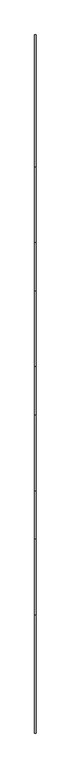
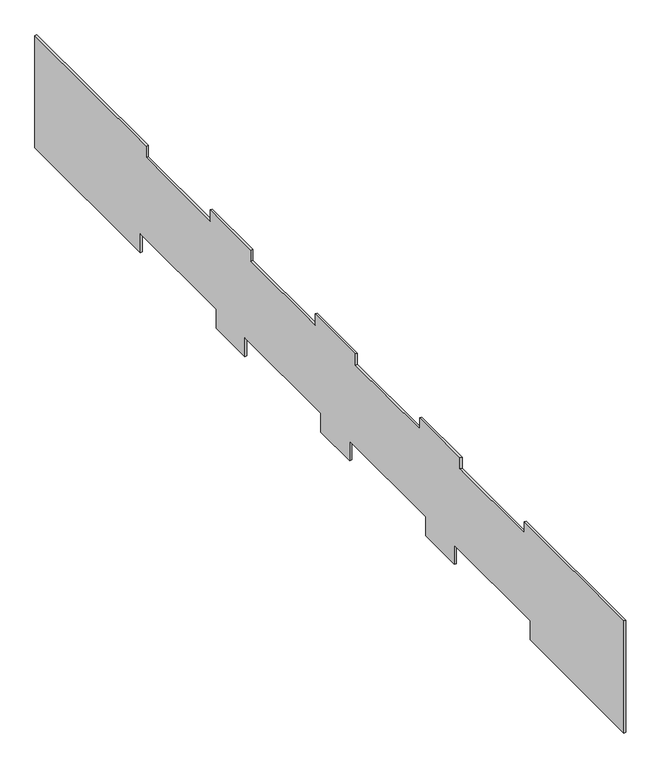
"""IFC4 building model written with IfcOpenShell, lengths in millimetres: furniture geometry."""

from ifc_helpers import new_model, si_unit, frame, origin, place, context, project, spatial, polyline, outline, extrude, source, transform, mapped, element, save


def furniture_6735404e(model_context):
    return source(origin(), model_context, "Body", "SweptSolid", [
        extrude(outline(polyline([(4395.2434867, 10140.0), (7265.2434867, 10140.0), (7265.2434867, 8370.0), (4545.2434867, 8370.0), (4545.2434867, 8670.0), (2585.2434867, 8670.0), (2585.2434867, 8370.0), (1845.2434867, 8370.0), (1845.2434867, 8670.0), (-114.7565133, 8670.0), (-114.7565133, 8370.0), (-854.7565133, 8370.0), (-854.7565133, 8670.0), (-2814.7565133, 8670.0), (-2814.7565133, 8370.0), (-3554.7565133, 8370.0), (-3554.7565133, 8670.0), (-5514.7565133, 8670.0), (-5514.7565133, 8370.0), (-7934.7565133, 8370.0), (-7934.7565133, 10140.0), (-5364.7565133, 10140.0), (-5364.7565133, 9965.0), (-3704.7565133, 9965.0), (-3704.7565133, 10140.0), (-2664.7565133, 10140.0), (-2664.7565133, 9965.0), (-1004.7565133, 9965.0), (-1004.7565133, 10140.0), (35.2434867, 10140.0), (35.2434867, 9965.0), (1695.2434867, 9965.0), (1695.2434867, 10140.0), (2735.2434867, 10140.0), (2735.2434867, 9965.0), (4395.2434867, 9965.0), (4395.2434867, 10140.0)])), frame((13759.3575177, 0.0, 0.0), z_axis=(1.0, 0.0, 0.0), x_axis=(0.0, 1.0, 0.0)), (0.0, 0.0, 1.0), 30.0),
    ])


if __name__ == "__main__":
    model = new_model("IFC4")
    model_context = context("Model", 3, world=origin())
    ifc_project = project(units=[si_unit("LENGTHUNIT", "METRE", prefix="MILLI")], contexts=[model_context])
    site = spatial("IfcSite", under=ifc_project)
    building = spatial("IfcBuilding", under=site)
    placement = place(None, origin())
    furniture_shape = furniture_6735404e(model_context)
    element("IfcFurniture", 1, at=placement, inside=building, context=model_context, shape_type="MappedRepresentation", body=[
        mapped(furniture_shape, transform((0.0, 0.0, 0.0), x_axis=(1.0, 0.0, 0.0), y_axis=(0.0, 1.0, 0.0), z_axis=(0.0, 0.0, 1.0))),
    ])
    save(model, "model.ifc")
